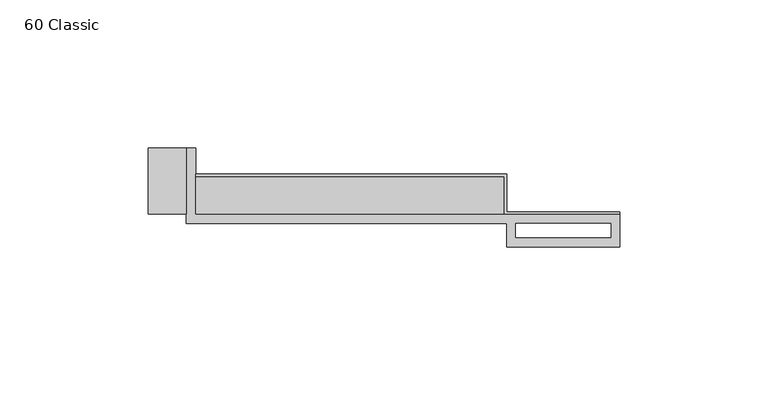
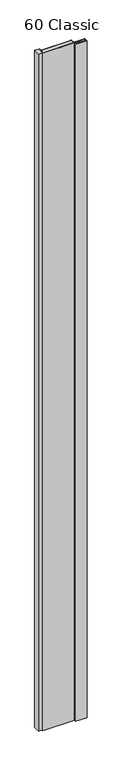
"""IFC4 building model written with IfcOpenShell, lengths in millimetres: proxy geometry, 60 Classic."""

from ifc_helpers import new_model, si_unit, origin, origin_with_axes, place, context, project, spatial, polyline, outline, extrude, source, transform, mapped, element, save


def proxy_60_classic_35ced42b(model_context):
    return source(origin(), model_context, "Body", "SweptSolid", [
        extrude(outline(polyline([(-104.775, 12.7), (-104.775, 13.49375), (0.0, 13.49375), (0.0, 0.79375), (38.1, 0.79375), (38.1, 0.0), (-0.79375, 0.0), (-0.79375, 12.7), (-104.775, 12.7)])), origin_with_axes(), (0.0, 0.0, 1.0), 2438.4),
        extrude(outline(polyline([(-107.95, 0.0), (-120.65, 0.0), (-120.65, 22.225), (-107.95, 22.225), (-107.95, 0.0)])), origin_with_axes(), (0.0, 0.0, 1.0), 2438.4),
        extrude(outline(polyline([(0.0, 0.0), (-104.775, 0.0), (-104.775, 12.7), (0.0, 12.7), (0.0, 0.0)])), origin_with_axes(), (0.0, 0.0, 1.0), 2438.4),
        extrude(outline(polyline([(-107.95, 22.225), (-104.775, 22.225), (-104.775, 0.0), (38.1, 0.0), (38.1, -11.1125), (0.0, -11.1125), (0.0, -3.175), (-107.95, -3.175), (-107.95, 22.225)]), holes=[polyline([(3.175, -3.175), (3.175, -7.9375), (35.1499571, -7.9375), (35.1499571, -3.175), (3.175, -3.175)])]), origin_with_axes(), (0.0, 0.0, 1.0), 2438.4),
    ])


if __name__ == "__main__":
    model = new_model("IFC4")
    model_context = context("Model", 3, world=origin())
    ifc_project = project(units=[si_unit("LENGTHUNIT", "METRE", prefix="MILLI")], contexts=[model_context])
    site = spatial("IfcSite", under=ifc_project)
    building = spatial("IfcBuilding", under=site)
    placement = place(None, origin())
    proxy_60_classic_shape = proxy_60_classic_35ced42b(model_context)
    element("IfcBuildingElementProxy", 1, Name="60 Classic", ObjectType="60 Classic", at=placement, inside=building, context=model_context, shape_type="MappedRepresentation", body=[
        mapped(proxy_60_classic_shape, transform((0.0, 0.0, 0.0), x_axis=(1.0, 0.0, 0.0), y_axis=(0.0, 1.0, 0.0), z_axis=(0.0, 0.0, 1.0))),
    ])
    save(model, "model.ifc")
